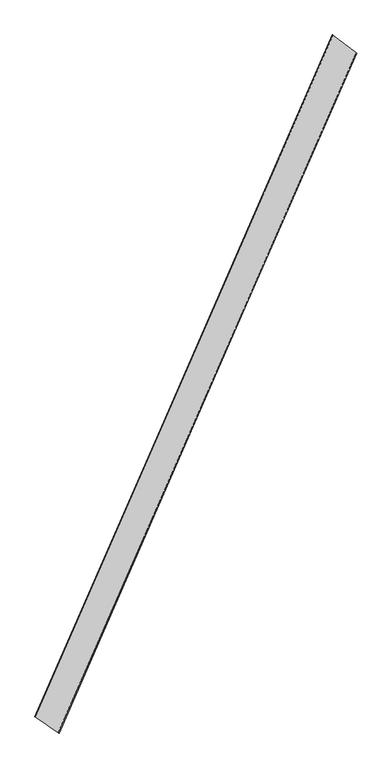
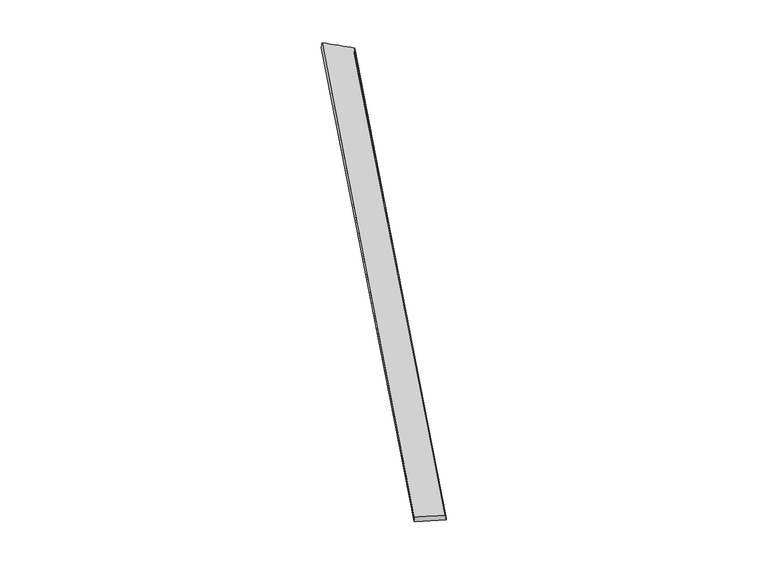
"""IFC4 building model written with IfcOpenShell, lengths in millimetres: proxy geometry."""

from ifc_helpers import new_model, si_unit, origin, place, context, project, spatial, source, transform, mapped, element, save
from ifc_brep_helpers import spline_surface, advanced_brep


def generic_models_8ca6bdc4(model_context):
    return source(origin(), model_context, "Body", "AdvancedBrep", [
        advanced_brep(
        [(-691.9522191, -1752.9456218, 9.8824117), (-687.1551612, -1755.2035687, -19.6453703), (969.9636759, 2039.2478646, -39.299028), (973.1497184, 2038.0007979, -9.4947673), (-819.6408309, -1663.5684344, -39.780611), (837.4034101, 2139.2720686, -20.3103634), (-821.7858231, -1662.7824789, -9.8677161), (840.5883239, 2137.7273028, 9.4800717)],
        [
            (0, 1),
            (1, 2),
            (2, 3),
            (3, 0),
            (1, 4),
            (4, 5),
            (5, 2),
            (4, 6),
            (6, 7),
            (7, 5),
            (6, 0),
            (3, 7),
        ],
        [
            spline_surface(1, 1, [[(-691.9522191, -1752.9456218, 9.8824117), (973.1497184, 2038.0007979, -9.4947673)], [(-687.1551612, -1755.2035687, -19.6453703), (969.9636759, 2039.2478646, -39.299028)]], [2, 2], [2, 2], [0.0, 1.0], [0.0, 1.0]),
            spline_surface(1, 1, [[(-687.1551612, -1755.2035687, -19.6453703), (969.9636759, 2039.2478646, -39.299028)], [(-819.6408309, -1663.5684344, -39.780611), (837.4034101, 2139.2720686, -20.3103634)]], [2, 2], [2, 2], [0.0, 1.0], [0.0, 1.0]),
            spline_surface(1, 1, [[(-819.6408309, -1663.5684344, -39.780611), (837.4034101, 2139.2720686, -20.3103634)], [(-821.7858231, -1662.7824789, -9.8677161), (840.5883239, 2137.7273028, 9.4800717)]], [2, 2], [2, 2], [0.0, 1.0], [0.0, 1.0]),
            spline_surface(1, 1, [[(-821.7858231, -1662.7824789, -9.8677161), (840.5883239, 2137.7273028, 9.4800717)], [(-691.9522191, -1752.9456218, 9.8824117), (973.1497184, 2038.0007979, -9.4947673)]], [2, 2], [2, 2], [0.0, 1.0], [0.0, 1.0]),
            spline_surface(1, 1, [[(969.9636759, 2039.2478646, -39.299028), (973.1497184, 2038.0007979, -9.4947673)], [(837.4034101, 2139.2720686, -20.3103634), (840.5883239, 2137.7273028, 9.4800717)]], [2, 2], [2, 2], [0.0, 1.0], [0.0, 1.0]),
            spline_surface(1, 1, [[(-821.7858231, -1662.7824789, -9.8677161), (-691.9522191, -1752.9456218, 9.8824117)], [(-819.6408309, -1663.5684344, -39.780611), (-687.1551612, -1755.2035687, -19.6453703)]], [2, 2], [2, 2], [0.0, 1.0], [0.0, 1.0]),
        ],
        [
            (0, [[1, 2, 3, 4]]),
            (1, [[5, 6, 7, -2]]),
            (2, [[8, 9, 10, -6]]),
            (3, [[11, -4, 12, -9]]),
            (4, [[-3, -7, -10, -12]]),
            (5, [[-11, -8, -5, -1]]),
        ],
    ),
    ])


if __name__ == "__main__":
    model = new_model("IFC4")
    model_context = context("Model", 3, world=origin())
    ifc_project = project(units=[si_unit("LENGTHUNIT", "METRE", prefix="MILLI")], contexts=[model_context])
    site = spatial("IfcSite", under=ifc_project)
    building = spatial("IfcBuilding", under=site)
    placement = place(None, origin())
    generic_models_shape = generic_models_8ca6bdc4(model_context)
    element("IfcBuildingElementProxy", 1, Name="Generic Models", at=placement, inside=building, context=model_context, shape_type="MappedRepresentation", body=[
        mapped(generic_models_shape, transform((0.0, 0.0, 0.0), x_axis=(1.0, 0.0, 0.0), y_axis=(0.0, 1.0, 0.0), z_axis=(0.0, 0.0, 1.0))),
    ])
    save(model, "model.ifc")
